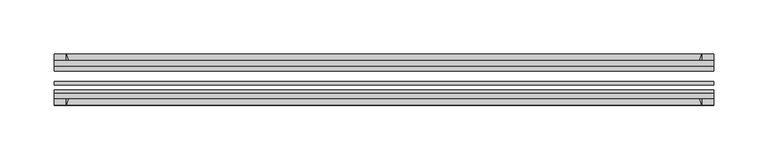
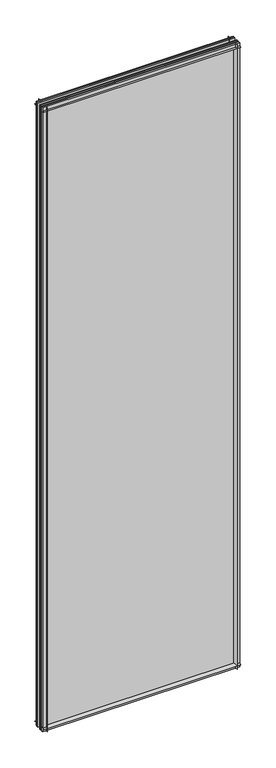
"""IFC4 building model written with IfcOpenShell, lengths in millimetres: plate geometry."""

import ifcopenshell
import ifcopenshell.guid

model = None  # the IFC model being written
_history = None  # IfcOwnerHistory: only IFC2X3 demands one
_inside = {}  # id of a spatial element -> (the spatial element, [elements in it])
_under = {}  # id of a project, library or spatial element -> (it, [spatial elements below it])
_declared = {}  # id of a project -> (the project, [libraries it declares])
_typed = {}  # id of a type object -> (the type object, [elements of that type])
_made_of = {}  # id of a material, layer set ... -> (it, [elements and type objects made of it])


def new_model(schema):
    """Start an empty IFC model of exactly this schema.

    Asked for "IFC4X3", IfcOpenShell would pick the latest addendum, in which some entities
    have other attributes; the version numbers below select the first issue.
    IFC2X3 requires an IfcOwnerHistory on every rooted entity: one is made here for all.
    """
    global model, _history
    if schema == "IFC4X3":
        model = ifcopenshell.file(schema_version=(4, 3, 0, 0))
    else:
        model = ifcopenshell.file(schema=schema)
    _inside.clear()
    _under.clear()
    _declared.clear()
    _typed.clear()
    _made_of.clear()
    _history = None
    if model.schema == "IFC2X3":
        org = make("IfcOrganization", Name="unknown")
        user = make(
            "IfcPersonAndOrganization",
            ThePerson=make("IfcPerson", FamilyName="unknown"),
            TheOrganization=org,
        )
        app = make(
            "IfcApplication",
            ApplicationDeveloper=org,
            Version="unknown",
            ApplicationFullName="unknown",
            ApplicationIdentifier="unknown",
        )
        _history = make(
            "IfcOwnerHistory",
            OwningUser=user,
            OwningApplication=app,
            ChangeAction="ADDED",
            CreationDate=0,
        )
    return model


def make(cls, **values):
    """One entity of the class cls with the attributes given. An attribute that is None is left unset."""
    return model.create_entity(
        cls, **{name: value for name, value in values.items() if value is not None}
    )


def rooted(cls, **values):
    """An entity with a GlobalId (a new one), such as an element, a storey or a relation."""
    return make(cls, GlobalId=ifcopenshell.guid.new(), OwnerHistory=_history, **values)


def si_unit(unit_type, name, prefix=None):
    """IfcSIUnit, for example si_unit("LENGTHUNIT", "METRE", prefix="MILLI")."""
    return make("IfcSIUnit", UnitType=unit_type, Prefix=prefix, Name=name)


def assignment(units):
    """IfcUnitAssignment: the units of a project."""
    return None if units is None else make("IfcUnitAssignment", Units=units)


def point(xyz):
    """IfcCartesianPoint."""
    return None if xyz is None else make("IfcCartesianPoint", Coordinates=xyz)


def direction(xyz):
    """IfcDirection."""
    return None if xyz is None else make("IfcDirection", DirectionRatios=xyz)


def frame(location, z_axis=None, x_axis=None):
    """IfcAxis2Placement3D, a coordinate frame: its origin and axes. An axis left out is left unset."""
    return make(
        "IfcAxis2Placement3D",
        Location=point(location),
        Axis=direction(z_axis),
        RefDirection=direction(x_axis),
    )


def frame_2d(location, x_axis=None):
    """IfcAxis2Placement2D, a coordinate frame in the plane: its origin and x axis."""
    return make(
        "IfcAxis2Placement2D", Location=point(location), RefDirection=direction(x_axis)
    )


def origin():
    """The frame at (0, 0, 0) with its axes left unset."""
    return frame((0.0, 0.0, 0.0))


def place(relative_to, where):
    """IfcLocalPlacement: puts the frame where relative to a parent placement (None: the world)."""
    return make(
        "IfcLocalPlacement", PlacementRelTo=relative_to, RelativePlacement=where
    )


def context(
    kind, dimensions, precision=None, world=None, true_north=None, identifier=None
):
    """IfcGeometricRepresentationContext, for example the 3D "Model" context."""
    return make(
        "IfcGeometricRepresentationContext",
        ContextIdentifier=identifier,
        ContextType=kind,
        CoordinateSpaceDimension=dimensions,
        Precision=precision,
        WorldCoordinateSystem=world,
        TrueNorth=true_north,
    )


def project(units=None, contexts=None):
    """IfcProject with its units and contexts."""
    return rooted(
        "IfcProject",
        Name="project",
        RepresentationContexts=contexts,
        UnitsInContext=assignment(units),
    )


def spatial(cls, under=None, at=None, **own):
    """A site, building, storey or space (cls), placed at a placement, below another one or the project."""
    s = rooted(cls, ObjectPlacement=at, **own)
    if under is not None:
        _under.setdefault(under.id(), (under, []))[1].append(s)
    return s


def polyline(points):
    """IfcPolyline through the points."""
    return make("IfcPolyline", Points=[point(p) for p in points])


def circle_curve(where, radius):
    """IfcCircle in the frame where."""
    return make("IfcCircle", Position=where, Radius=radius)


def trimmed(basis, trim1, trim2, sense, master):
    """IfcTrimmedCurve: the piece of a basis curve between two trims."""
    return make(
        "IfcTrimmedCurve",
        BasisCurve=basis,
        Trim1=trim1,
        Trim2=trim2,
        SenseAgreement=sense,
        MasterRepresentation=master,
    )


def segment(curve, same_sense, transition):
    """IfcCompositeCurveSegment."""
    return make(
        "IfcCompositeCurveSegment",
        Transition=transition,
        SameSense=same_sense,
        ParentCurve=curve,
    )


def composite_curve(segments, self_intersect=None):
    """IfcCompositeCurve: segments joined end to end."""
    return make("IfcCompositeCurve", Segments=segments, SelfIntersect=self_intersect)


def outline(outer, holes=None, kind="AREA"):
    """IfcArbitraryClosedProfileDef: a profile drawn as a closed curve; with holes, ...WithVoids."""
    if holes is None:
        return make("IfcArbitraryClosedProfileDef", ProfileType=kind, OuterCurve=outer)
    return make(
        "IfcArbitraryProfileDefWithVoids",
        ProfileType=kind,
        OuterCurve=outer,
        InnerCurves=holes,
    )


def extrude(swept, where, along, depth):
    """IfcExtrudedAreaSolid: the profile swept, set in the frame where, extruded along a direction by depth."""
    return make(
        "IfcExtrudedAreaSolid",
        SweptArea=swept,
        Position=where,
        ExtrudedDirection=direction(along),
        Depth=depth,
    )


def shape(context_of_items, identifier, shape_type, items):
    """IfcShapeRepresentation: the items that make up one representation, for example the "Body"."""
    return make(
        "IfcShapeRepresentation",
        ContextOfItems=context_of_items,
        RepresentationIdentifier=identifier,
        RepresentationType=shape_type,
        Items=items,
    )


def source(mapping_origin, context_of_items, identifier, shape_type, items):
    """IfcRepresentationMap: a shape defined once, which mapped items show again and again."""
    return make(
        "IfcRepresentationMap",
        MappingOrigin=mapping_origin,
        MappedRepresentation=shape(context_of_items, identifier, shape_type, items),
    )


def transform(
    local_origin,
    x_axis=None,
    y_axis=None,
    z_axis=None,
    scale=None,
    scale2=None,
    scale3=None,
    uniform=True,
):
    """IfcCartesianTransformationOperator3D, or its non-uniform kind. x_axis, y_axis, z_axis: its Axis1, 2, 3."""
    if uniform:
        return make(
            "IfcCartesianTransformationOperator3D",
            Axis1=direction(x_axis),
            Axis2=direction(y_axis),
            LocalOrigin=point(local_origin),
            Scale=scale,
            Axis3=direction(z_axis),
        )
    return make(
        "IfcCartesianTransformationOperator3DnonUniform",
        Axis1=direction(x_axis),
        Axis2=direction(y_axis),
        LocalOrigin=point(local_origin),
        Scale=scale,
        Axis3=direction(z_axis),
        Scale2=scale2,
        Scale3=scale3,
    )


def mapped(mapping_source, mapping_target):
    """IfcMappedItem: shows the shape of a source again, moved by a transform."""
    return make(
        "IfcMappedItem", MappingSource=mapping_source, MappingTarget=mapping_target
    )


def made_of(thing, what):
    """Note that an element or type object is made of a material, layer set ...; save() writes the relation."""
    if what is not None:
        _made_of.setdefault(what.id(), (what, []))[1].append(thing)
    return thing


def element(
    cls,
    number,
    at=None,
    inside=None,
    cuts=None,
    type_object=None,
    material=None,
    context=None,
    identifier="Body",
    shape_type=None,
    held_by="IfcProductDefinitionShape",
    body=None,
    shapes=None,
    **own,
):
    """One element of the class cls, such as IfcWall. Its Tag is "e" and its number.

    at: its placement. inside: the storey or other place that contains it. cuts: it is an
    opening in that element (IfcRelVoidsElement). A single representation is given by context,
    identifier, shape_type and body (its items); several are given by shapes. held_by: the class
    of the entity that holds the representations. save() writes the other relations.
    """
    e = rooted(cls, Tag="e%d" % number, ObjectPlacement=at, **own)
    if body is not None:
        shapes = [shape(context, identifier, shape_type, body)]
    if shapes is not None:
        e.Representation = make(held_by, Representations=shapes)
    if inside is not None:
        _inside.setdefault(inside.id(), (inside, []))[1].append(e)
    if cuts is not None:
        rooted(
            "IfcRelVoidsElement", RelatingBuildingElement=cuts, RelatedOpeningElement=e
        )
    if type_object is not None:
        _typed.setdefault(type_object.id(), (type_object, []))[1].append(e)
    return made_of(e, material)


def aggregate(whole, parts):
    """IfcRelAggregates: a whole, such as a stair, and the parts it consists of."""
    return rooted("IfcRelAggregates", RelatingObject=whole, RelatedObjects=parts)


def save(model, path):
    """Write the relations noted so far, then the file.

    IfcRelAggregates (storeys below a building ...), IfcRelContainedInSpatialStructure (elements
    in a storey), IfcRelDefinesByType, IfcRelAssociatesMaterial and IfcRelDeclares: one each for
    every whole, place, type object, material and project.
    """
    for whole, parts in _under.values():
        aggregate(whole, parts)
    for where, things in _inside.values():
        rooted(
            "IfcRelContainedInSpatialStructure",
            RelatedElements=things,
            RelatingStructure=where,
        )
    for kind, things in _typed.values():
        rooted("IfcRelDefinesByType", RelatedObjects=things, RelatingType=kind)
    for what, things in _made_of.values():
        rooted("IfcRelAssociatesMaterial", RelatedObjects=things, RelatingMaterial=what)
    for by, libraries in _declared.values():
        rooted("IfcRelDeclares", RelatingContext=by, RelatedDefinitions=libraries)
    model.write(path)


def plate_a96cff03(model_context):
    return source(origin(), model_context, "Body", "SweptSolid", [
        extrude(outline(composite_curve([segment(polyline([(-74.653775, 0.0), (-80.586498, 0.0)]), True, "CONTINUOUS"), segment(trimmed(circle_curve(frame_2d((-86.2543953, 32.273404)), 32.7673262), [point((-80.586498, 0.0))], [point((-69.878575, 3.8915405))], True, "CARTESIAN"), True, "CONTINUOUS"), segment(polyline([(-69.878575, 3.8915405), (-69.878575, -10.31875), (-74.653775, -10.31875), (-74.653775, 0.0)]), True, "CONTINUOUS")], self_intersect=False)), frame((-303.2125, 0.0, 0.0), z_axis=(1.0, 0.0, 0.0), x_axis=(0.0, 1.0, 0.0)), (0.0, 0.0, 1.0), 606.425),
        extrude(outline(composite_curve([segment(polyline([(-44.478575, -10.31875), (-44.478575, 3.8915405)]), True, "CONTINUOUS"), segment(trimmed(circle_curve(frame_2d((-28.1027547, 32.273404)), 32.7673262), [point((-44.478575, 3.8915405))], [point((-33.770652, 0.0))], True, "CARTESIAN"), True, "CONTINUOUS"), segment(polyline([(-33.770652, 0.0), (-39.703375, 0.0), (-39.703375, -10.31875), (-44.478575, -10.31875)]), True, "CONTINUOUS")], self_intersect=False)), frame((-303.2125, 0.0, 0.0), z_axis=(1.0, 0.0, 0.0), x_axis=(0.0, 1.0, 0.0)), (0.0, 0.0, 1.0), 606.425),
        extrude(outline(composite_curve([segment(trimmed(circle_curve(frame_2d((-86.2543953, 1977.495246)), 32.7673262), [point((-69.878575, 2005.8771095))], [point((-80.622775, 2009.775))], True, "CARTESIAN"), True, "CONTINUOUS"), segment(polyline([(-80.622775, 2009.775), (-74.653775, 2009.775), (-74.653775, 2020.8875), (-69.878575, 2020.8875), (-69.878575, 2005.8771095)]), True, "CONTINUOUS")], self_intersect=False)), frame((-303.2125, 0.0, 0.0), z_axis=(1.0, 0.0, 0.0), x_axis=(0.0, 1.0, 0.0)), (0.0, 0.0, 1.0), 606.425),
        extrude(outline(composite_curve([segment(polyline([(-44.478575, 2005.8771095), (-44.478575, 2020.8875), (-39.703375, 2020.8875), (-39.703375, 2009.775), (-33.734375, 2009.775)]), True, "CONTINUOUS"), segment(trimmed(circle_curve(frame_2d((-28.1027547, 1977.495246)), 32.7673262), [point((-33.734375, 2009.775))], [point((-44.478575, 2005.8771095))], True, "CARTESIAN"), True, "CONTINUOUS")], self_intersect=False)), frame((-303.2125, 0.0, 0.0), z_axis=(1.0, 0.0, 0.0), x_axis=(0.0, 1.0, 0.0)), (0.0, 0.0, 1.0), 606.425),
        extrude(outline(composite_curve([segment(polyline([(288.2021095, -69.878575), (303.2125, -69.878575), (303.2125, -74.653775), (292.1, -74.653775), (292.1, -80.622775)]), True, "CONTINUOUS"), segment(trimmed(circle_curve(frame_2d((259.820246, -86.2543953)), 32.7673262), [point((292.1, -80.622775))], [point((288.2021095, -69.878575))], True, "CARTESIAN"), True, "CONTINUOUS")], self_intersect=False)), frame((0.0, 0.0, -10.31875), z_axis=(0.0, 0.0, 1.0), x_axis=(1.0, 0.0, 0.0)), (0.0, 0.0, 1.0), 2031.20625),
        extrude(outline(composite_curve([segment(trimmed(circle_curve(frame_2d((259.820246, -28.1027547)), 32.7673262), [point((288.2021095, -44.478575))], [point((292.1, -33.734375))], True, "CARTESIAN"), True, "CONTINUOUS"), segment(polyline([(292.1, -33.734375), (292.1, -39.703375), (303.2125, -39.703375), (303.2125, -44.478575), (288.2021095, -44.478575)]), True, "CONTINUOUS")], self_intersect=False)), frame((0.0, 0.0, -10.31875), z_axis=(0.0, 0.0, 1.0), x_axis=(1.0, 0.0, 0.0)), (0.0, 0.0, 1.0), 2031.20625),
        extrude(outline(composite_curve([segment(trimmed(circle_curve(frame_2d((-259.820246, -86.2543953)), 32.7673262), [point((-288.2021095, -69.878575))], [point((-292.1, -80.622775))], True, "CARTESIAN"), True, "CONTINUOUS"), segment(polyline([(-292.1, -80.622775), (-292.1, -74.653775), (-303.2125, -74.653775), (-303.2125, -69.878575), (-288.2021095, -69.878575)]), True, "CONTINUOUS")], self_intersect=False)), frame((0.0, 0.0, -10.31875), z_axis=(0.0, 0.0, 1.0), x_axis=(1.0, 0.0, 0.0)), (0.0, 0.0, 1.0), 2031.20625),
        extrude(outline(composite_curve([segment(polyline([(-288.2021095, -44.478575), (-303.2125, -44.478575), (-303.2125, -39.703375), (-292.1, -39.703375), (-292.1, -33.734375)]), True, "CONTINUOUS"), segment(trimmed(circle_curve(frame_2d((-259.820246, -28.1027547)), 32.7673262), [point((-292.1, -33.734375))], [point((-288.2021095, -44.478575))], True, "CARTESIAN"), True, "CONTINUOUS")], self_intersect=False)), frame((0.0, 0.0, -10.31875), z_axis=(0.0, 0.0, 1.0), x_axis=(1.0, 0.0, 0.0)), (0.0, 0.0, 1.0), 2031.20625),
        extrude(outline(polyline([(-303.2125, -44.478575), (303.2125, -44.478575), (303.2125, -49.241075), (-303.2125, -49.241075), (-303.2125, -44.478575)])), frame((0.0, 0.0, -10.31875), z_axis=(0.0, 0.0, 1.0), x_axis=(1.0, 0.0, 0.0)), (0.0, 0.0, 1.0), 2031.20625),
        extrude(outline(polyline([(303.2125, -58.956575), (303.2125, -62.131575), (-303.2125, -62.131575), (-303.2125, -58.956575), (303.2125, -58.956575)])), frame((0.0, 0.0, -10.31875), z_axis=(0.0, 0.0, 1.0), x_axis=(1.0, 0.0, 0.0)), (0.0, 0.0, 1.0), 2031.20625),
        extrude(outline(polyline([(-303.2125, -66.703575), (303.2125, -66.703575), (303.2125, -69.878575), (-303.2125, -69.878575), (-303.2125, -66.703575)])), frame((0.0, 0.0, -10.31875), z_axis=(0.0, 0.0, 1.0), x_axis=(1.0, 0.0, 0.0)), (0.0, 0.0, 1.0), 2031.20625),
    ])


if __name__ == "__main__":
    model = new_model("IFC4")
    model_context = context("Model", 3, world=origin())
    ifc_project = project(units=[si_unit("LENGTHUNIT", "METRE", prefix="MILLI")], contexts=[model_context])
    site = spatial("IfcSite", under=ifc_project)
    building = spatial("IfcBuilding", under=site)
    placement = place(None, origin())
    plate_shape = plate_a96cff03(model_context)
    element("IfcPlate", 1, at=placement, inside=building, context=model_context, shape_type="MappedRepresentation", body=[
        mapped(plate_shape, transform((0.0, 0.0, 0.0), x_axis=(1.0, 0.0, 0.0), y_axis=(0.0, 1.0, 0.0), z_axis=(0.0, 0.0, 1.0))),
    ])
    save(model, "model.ifc")
